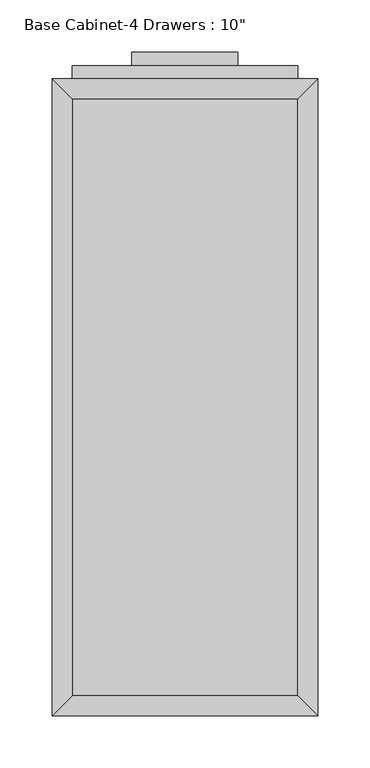
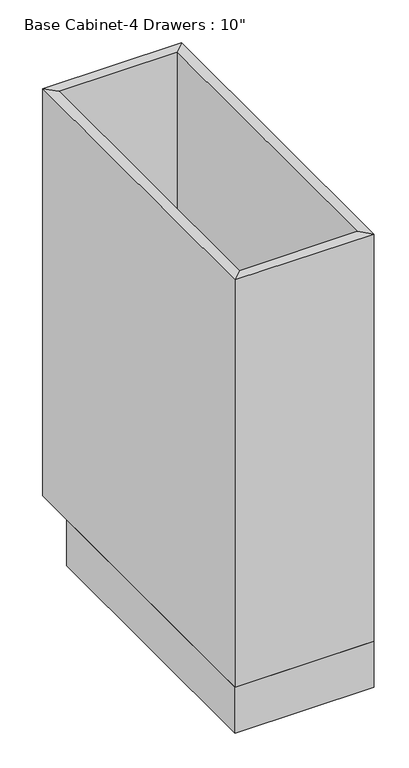
"""IFC4 building model written with IfcOpenShell, lengths in millimetres: furniture geometry."""

import ifcopenshell
import ifcopenshell.guid

model = None  # the IFC model being written
_history = None  # IfcOwnerHistory: only IFC2X3 demands one
_inside = {}  # id of a spatial element -> (the spatial element, [elements in it])
_under = {}  # id of a project, library or spatial element -> (it, [spatial elements below it])
_declared = {}  # id of a project -> (the project, [libraries it declares])
_typed = {}  # id of a type object -> (the type object, [elements of that type])
_made_of = {}  # id of a material, layer set ... -> (it, [elements and type objects made of it])


def new_model(schema):
    """Start an empty IFC model of exactly this schema.

    Asked for "IFC4X3", IfcOpenShell would pick the latest addendum, in which some entities
    have other attributes; the version numbers below select the first issue.
    IFC2X3 requires an IfcOwnerHistory on every rooted entity: one is made here for all.
    """
    global model, _history
    if schema == "IFC4X3":
        model = ifcopenshell.file(schema_version=(4, 3, 0, 0))
    else:
        model = ifcopenshell.file(schema=schema)
    _inside.clear()
    _under.clear()
    _declared.clear()
    _typed.clear()
    _made_of.clear()
    _history = None
    if model.schema == "IFC2X3":
        org = make("IfcOrganization", Name="unknown")
        user = make(
            "IfcPersonAndOrganization",
            ThePerson=make("IfcPerson", FamilyName="unknown"),
            TheOrganization=org,
        )
        app = make(
            "IfcApplication",
            ApplicationDeveloper=org,
            Version="unknown",
            ApplicationFullName="unknown",
            ApplicationIdentifier="unknown",
        )
        _history = make(
            "IfcOwnerHistory",
            OwningUser=user,
            OwningApplication=app,
            ChangeAction="ADDED",
            CreationDate=0,
        )
    return model


def make(cls, **values):
    """One entity of the class cls with the attributes given. An attribute that is None is left unset."""
    return model.create_entity(
        cls, **{name: value for name, value in values.items() if value is not None}
    )


def rooted(cls, **values):
    """An entity with a GlobalId (a new one), such as an element, a storey or a relation."""
    return make(cls, GlobalId=ifcopenshell.guid.new(), OwnerHistory=_history, **values)


def si_unit(unit_type, name, prefix=None):
    """IfcSIUnit, for example si_unit("LENGTHUNIT", "METRE", prefix="MILLI")."""
    return make("IfcSIUnit", UnitType=unit_type, Prefix=prefix, Name=name)


def assignment(units):
    """IfcUnitAssignment: the units of a project."""
    return None if units is None else make("IfcUnitAssignment", Units=units)


def point(xyz):
    """IfcCartesianPoint."""
    return None if xyz is None else make("IfcCartesianPoint", Coordinates=xyz)


def direction(xyz):
    """IfcDirection."""
    return None if xyz is None else make("IfcDirection", DirectionRatios=xyz)


def frame(location, z_axis=None, x_axis=None):
    """IfcAxis2Placement3D, a coordinate frame: its origin and axes. An axis left out is left unset."""
    return make(
        "IfcAxis2Placement3D",
        Location=point(location),
        Axis=direction(z_axis),
        RefDirection=direction(x_axis),
    )


def origin():
    """The frame at (0, 0, 0) with its axes left unset."""
    return frame((0.0, 0.0, 0.0))


def origin_with_axes():
    """The frame at (0, 0, 0) with the z axis (0, 0, 1) and the x axis (1, 0, 0) written out."""
    return frame((0.0, 0.0, 0.0), z_axis=(0.0, 0.0, 1.0), x_axis=(1.0, 0.0, 0.0))


def place(relative_to, where):
    """IfcLocalPlacement: puts the frame where relative to a parent placement (None: the world)."""
    return make(
        "IfcLocalPlacement", PlacementRelTo=relative_to, RelativePlacement=where
    )


def context(
    kind, dimensions, precision=None, world=None, true_north=None, identifier=None
):
    """IfcGeometricRepresentationContext, for example the 3D "Model" context."""
    return make(
        "IfcGeometricRepresentationContext",
        ContextIdentifier=identifier,
        ContextType=kind,
        CoordinateSpaceDimension=dimensions,
        Precision=precision,
        WorldCoordinateSystem=world,
        TrueNorth=true_north,
    )


def project(units=None, contexts=None):
    """IfcProject with its units and contexts."""
    return rooted(
        "IfcProject",
        Name="project",
        RepresentationContexts=contexts,
        UnitsInContext=assignment(units),
    )


def spatial(cls, under=None, at=None, **own):
    """A site, building, storey or space (cls), placed at a placement, below another one or the project."""
    s = rooted(cls, ObjectPlacement=at, **own)
    if under is not None:
        _under.setdefault(under.id(), (under, []))[1].append(s)
    return s


def polyline(points):
    """IfcPolyline through the points."""
    return make("IfcPolyline", Points=[point(p) for p in points])


def outline(outer, holes=None, kind="AREA"):
    """IfcArbitraryClosedProfileDef: a profile drawn as a closed curve; with holes, ...WithVoids."""
    if holes is None:
        return make("IfcArbitraryClosedProfileDef", ProfileType=kind, OuterCurve=outer)
    return make(
        "IfcArbitraryProfileDefWithVoids",
        ProfileType=kind,
        OuterCurve=outer,
        InnerCurves=holes,
    )


def extrude(swept, where, along, depth):
    """IfcExtrudedAreaSolid: the profile swept, set in the frame where, extruded along a direction by depth."""
    return make(
        "IfcExtrudedAreaSolid",
        SweptArea=swept,
        Position=where,
        ExtrudedDirection=direction(along),
        Depth=depth,
    )


def faces_of(points, faces, orient=None, outer=None):
    """IfcFace entities. A face is a list of loops; a loop is a list of indices into points, from 0.

    orient and outer hold one flag for each loop. By default every Orientation is true, the
    first loop of a face is its IfcFaceOuterBound and the others are IfcFaceBound.
    """
    made = []
    for i, loops in enumerate(faces):
        bounds = []
        for j, loop in enumerate(loops):
            is_outer = j == 0 if outer is None else outer[i][j]
            bounds.append(
                make(
                    "IfcFaceOuterBound" if is_outer else "IfcFaceBound",
                    Bound=make("IfcPolyLoop", Polygon=[points[k] for k in loop]),
                    Orientation=True if orient is None else orient[i][j],
                )
            )
        made.append(make("IfcFace", Bounds=bounds))
    return made


def faceted_brep(points, faces, orient=None, outer=None, voids=None):
    """IfcFacetedBrep: a solid bounded by flat faces; with voids (closed shells), ...WithVoids."""
    shared = [point(p) for p in points]
    hull = make("IfcClosedShell", CfsFaces=faces_of(shared, faces, orient, outer))
    if voids is None:
        return make("IfcFacetedBrep", Outer=hull)
    return make(
        "IfcFacetedBrepWithVoids",
        Outer=hull,
        Voids=[
            make(cls, CfsFaces=faces_of(shared, fs, o, b)) for cls, fs, o, b in voids
        ],
    )


def shape(context_of_items, identifier, shape_type, items):
    """IfcShapeRepresentation: the items that make up one representation, for example the "Body"."""
    return make(
        "IfcShapeRepresentation",
        ContextOfItems=context_of_items,
        RepresentationIdentifier=identifier,
        RepresentationType=shape_type,
        Items=items,
    )


def source(mapping_origin, context_of_items, identifier, shape_type, items):
    """IfcRepresentationMap: a shape defined once, which mapped items show again and again."""
    return make(
        "IfcRepresentationMap",
        MappingOrigin=mapping_origin,
        MappedRepresentation=shape(context_of_items, identifier, shape_type, items),
    )


def transform(
    local_origin,
    x_axis=None,
    y_axis=None,
    z_axis=None,
    scale=None,
    scale2=None,
    scale3=None,
    uniform=True,
):
    """IfcCartesianTransformationOperator3D, or its non-uniform kind. x_axis, y_axis, z_axis: its Axis1, 2, 3."""
    if uniform:
        return make(
            "IfcCartesianTransformationOperator3D",
            Axis1=direction(x_axis),
            Axis2=direction(y_axis),
            LocalOrigin=point(local_origin),
            Scale=scale,
            Axis3=direction(z_axis),
        )
    return make(
        "IfcCartesianTransformationOperator3DnonUniform",
        Axis1=direction(x_axis),
        Axis2=direction(y_axis),
        LocalOrigin=point(local_origin),
        Scale=scale,
        Axis3=direction(z_axis),
        Scale2=scale2,
        Scale3=scale3,
    )


def mapped(mapping_source, mapping_target):
    """IfcMappedItem: shows the shape of a source again, moved by a transform."""
    return make(
        "IfcMappedItem", MappingSource=mapping_source, MappingTarget=mapping_target
    )


def made_of(thing, what):
    """Note that an element or type object is made of a material, layer set ...; save() writes the relation."""
    if what is not None:
        _made_of.setdefault(what.id(), (what, []))[1].append(thing)
    return thing


def element(
    cls,
    number,
    at=None,
    inside=None,
    cuts=None,
    type_object=None,
    material=None,
    context=None,
    identifier="Body",
    shape_type=None,
    held_by="IfcProductDefinitionShape",
    body=None,
    shapes=None,
    **own,
):
    """One element of the class cls, such as IfcWall. Its Tag is "e" and its number.

    at: its placement. inside: the storey or other place that contains it. cuts: it is an
    opening in that element (IfcRelVoidsElement). A single representation is given by context,
    identifier, shape_type and body (its items); several are given by shapes. held_by: the class
    of the entity that holds the representations. save() writes the other relations.
    """
    e = rooted(cls, Tag="e%d" % number, ObjectPlacement=at, **own)
    if body is not None:
        shapes = [shape(context, identifier, shape_type, body)]
    if shapes is not None:
        e.Representation = make(held_by, Representations=shapes)
    if inside is not None:
        _inside.setdefault(inside.id(), (inside, []))[1].append(e)
    if cuts is not None:
        rooted(
            "IfcRelVoidsElement", RelatingBuildingElement=cuts, RelatedOpeningElement=e
        )
    if type_object is not None:
        _typed.setdefault(type_object.id(), (type_object, []))[1].append(e)
    return made_of(e, material)


def aggregate(whole, parts):
    """IfcRelAggregates: a whole, such as a stair, and the parts it consists of."""
    return rooted("IfcRelAggregates", RelatingObject=whole, RelatedObjects=parts)


def save(model, path):
    """Write the relations noted so far, then the file.

    IfcRelAggregates (storeys below a building ...), IfcRelContainedInSpatialStructure (elements
    in a storey), IfcRelDefinesByType, IfcRelAssociatesMaterial and IfcRelDeclares: one each for
    every whole, place, type object, material and project.
    """
    for whole, parts in _under.values():
        aggregate(whole, parts)
    for where, things in _inside.values():
        rooted(
            "IfcRelContainedInSpatialStructure",
            RelatedElements=things,
            RelatingStructure=where,
        )
    for kind, things in _typed.values():
        rooted("IfcRelDefinesByType", RelatedObjects=things, RelatingType=kind)
    for what, things in _made_of.values():
        rooted("IfcRelAssociatesMaterial", RelatedObjects=things, RelatingMaterial=what)
    for by, libraries in _declared.values():
        rooted("IfcRelDeclares", RelatingContext=by, RelatedDefinitions=libraries)
    model.write(path)


def furniture_136617ac(model_context):
    return source(origin(), model_context, "Body", "SolidModel", [
        extrude(outline(polyline([(69.5377049, 635.0), (69.5377049, 622.3), (-32.0622951, 622.3), (-32.0622951, 635.0), (69.5377049, 635.0)])), frame((0.0, 0.0, 819.15), z_axis=(0.0, 0.0, 1.0), x_axis=(1.0, 0.0, 0.0)), (0.0, 0.0, 1.0), 12.7),
        extrude(outline(polyline([(69.5377049, 635.0), (69.5377049, 622.3), (-32.0622951, 622.3), (-32.0622951, 635.0), (69.5377049, 635.0)])), frame((0.0, 0.0, 698.5), z_axis=(0.0, 0.0, 1.0), x_axis=(1.0, 0.0, 0.0)), (0.0, 0.0, 1.0), 12.7),
        extrude(outline(polyline([(69.5377049, 635.0), (69.5377049, 622.3), (-32.0622951, 622.3), (-32.0622951, 635.0), (69.5377049, 635.0)])), frame((0.0, 0.0, 546.1), z_axis=(0.0, 0.0, 1.0), x_axis=(1.0, 0.0, 0.0)), (0.0, 0.0, 1.0), 12.7),
        extrude(outline(polyline([(69.5377049, 635.0), (69.5377049, 622.3), (-32.0622951, 622.3), (-32.0622951, 635.0), (69.5377049, 635.0)])), frame((0.0, 0.0, 393.7), z_axis=(0.0, 0.0, 1.0), x_axis=(1.0, 0.0, 0.0)), (0.0, 0.0, 1.0), 12.7),
        extrude(outline(polyline([(126.6877049, 622.3), (126.6877049, 609.6), (-89.2122951, 609.6), (-89.2122951, 622.3), (126.6877049, 622.3)])), frame((0.0, 0.0, 749.3), z_axis=(0.0, 0.0, 1.0), x_axis=(1.0, 0.0, 0.0)), (0.0, 0.0, 1.0), 107.95),
        extrude(outline(polyline([(126.6877049, 622.3), (126.6877049, 609.6), (-89.2122951, 609.6), (-89.2122951, 622.3), (126.6877049, 622.3)])), frame((0.0, 0.0, 596.9), z_axis=(0.0, 0.0, 1.0), x_axis=(1.0, 0.0, 0.0)), (0.0, 0.0, 1.0), 139.7),
        extrude(outline(polyline([(126.6877049, 622.3), (126.6877049, 609.6), (-89.2122951, 609.6), (-89.2122951, 622.3), (126.6877049, 622.3)])), frame((0.0, 0.0, 444.5), z_axis=(0.0, 0.0, 1.0), x_axis=(1.0, 0.0, 0.0)), (0.0, 0.0, 1.0), 139.7),
        extrude(outline(polyline([(126.6877049, 622.3), (126.6877049, 609.6), (-89.2122951, 609.6), (-89.2122951, 622.3), (126.6877049, 622.3)])), frame((0.0, 0.0, 120.65), z_axis=(0.0, 0.0, 1.0), x_axis=(1.0, 0.0, 0.0)), (0.0, 0.0, 1.0), 311.15),
        extrude(outline(polyline([(126.6877049, 19.05), (-89.2122951, 19.05), (-89.2122951, 590.55), (126.6877049, 590.55), (126.6877049, 19.05)])), frame((0.0, 0.0, 88.9), z_axis=(0.0, 0.0, 1.0), x_axis=(1.0, 0.0, 0.0)), (0.0, 0.0, 1.0), 19.05),
        faceted_brep([(126.6877049, 590.55, 876.3), (-89.2122951, 590.55, 876.3), (-89.2122951, 590.55, 88.9), (126.6877049, 590.55, 88.9), (145.7377049, 609.6, 876.3), (-108.2622951, 609.6, 876.3), (145.7377049, 609.6, 88.9), (-108.2622951, 609.6, 88.9), (-89.2122951, 19.05, 876.3), (-89.2122951, 19.05, 88.9), (-108.2622951, 0.0, 876.3), (-108.2622951, 0.0, 88.9), (126.6877049, 19.05, 876.3), (126.6877049, 19.05, 88.9), (145.7377049, 0.0, 876.3), (145.7377049, 0.0, 88.9)], [[[0, 1, 2, 3]], [[4, 5, 1, 0]], [[6, 7, 5, 4]], [[3, 2, 7, 6]], [[1, 8, 9, 2]], [[5, 10, 8, 1]], [[7, 11, 10, 5]], [[2, 9, 11, 7]], [[8, 12, 13, 9]], [[10, 14, 12, 8]], [[11, 15, 14, 10]], [[9, 13, 15, 11]], [[12, 0, 3, 13]], [[14, 4, 0, 12]], [[15, 6, 4, 14]], [[13, 3, 6, 15]]]),
        extrude(outline(polyline([(145.7377049, 0.0), (-108.2622951, 0.0), (-108.2622951, 533.4), (145.7377049, 533.4), (145.7377049, 0.0)])), origin_with_axes(), (0.0, 0.0, 1.0), 88.9),
    ])


if __name__ == "__main__":
    model = new_model("IFC4")
    model_context = context("Model", 3, world=origin())
    ifc_project = project(units=[si_unit("LENGTHUNIT", "METRE", prefix="MILLI")], contexts=[model_context])
    site = spatial("IfcSite", under=ifc_project)
    building = spatial("IfcBuilding", under=site)
    placement = place(None, origin())
    furniture_shape = furniture_136617ac(model_context)
    element("IfcFurniture", 1, ObjectType="Base Cabinet-4 Drawers : 10\"", at=placement, inside=building, context=model_context, shape_type="MappedRepresentation", body=[
        mapped(furniture_shape, transform((0.0, 0.0, 0.0), x_axis=(1.0, 0.0, 0.0), y_axis=(0.0, 1.0, 0.0), z_axis=(0.0, 0.0, 1.0))),
    ])
    save(model, "model.ifc")
